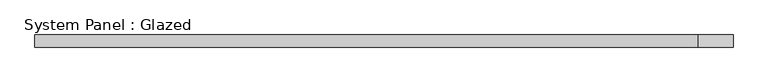
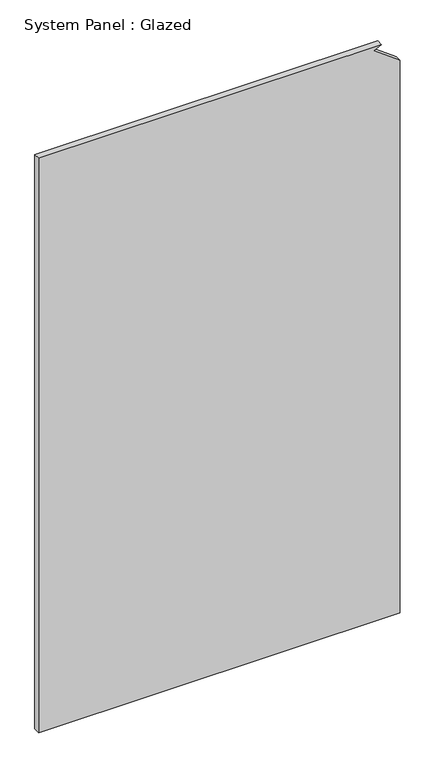
"""IFC4 building model written with IfcOpenShell, lengths in millimetres: plate geometry, System Panel : Glazed."""

from ifc_helpers import new_model, si_unit, frame, origin, place, context, project, spatial, polyline, outline, extrude, source, transform, mapped, element, save


def system_panel_glazed_427de425(model_context):
    return source(origin(), model_context, "Body", "SweptSolid", [
        extrude(outline(polyline([(0.0, -699.256285), (0.0, 699.256285), (2260.756166, 699.256285), (2334.7180629, 598.6724705), (2350.0, 628.2928274), (2350.0, -699.256285), (0.0, -699.256285)])), frame((0.0, -49.5, 0.0), z_axis=(0.0, 1.0, 0.0), x_axis=(0.0, 0.0, 1.0)), (0.0, 0.0, 1.0), 25.0),
    ])


if __name__ == "__main__":
    model = new_model("IFC4")
    model_context = context("Model", 3, world=origin())
    ifc_project = project(units=[si_unit("LENGTHUNIT", "METRE", prefix="MILLI")], contexts=[model_context])
    site = spatial("IfcSite", under=ifc_project)
    building = spatial("IfcBuilding", under=site)
    placement = place(None, origin())
    system_panel_glazed_shape = system_panel_glazed_427de425(model_context)
    element("IfcPlate", 1, ObjectType="System Panel : Glazed", at=placement, inside=building, context=model_context, shape_type="MappedRepresentation", body=[
        mapped(system_panel_glazed_shape, transform((0.0, 0.0, 0.0), x_axis=(1.0, 0.0, 0.0), y_axis=(0.0, 1.0, 0.0), z_axis=(0.0, 0.0, 1.0))),
    ])
    save(model, "model.ifc")
